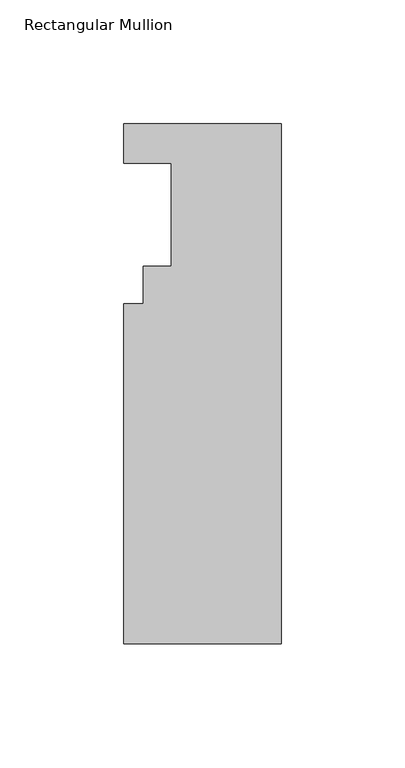
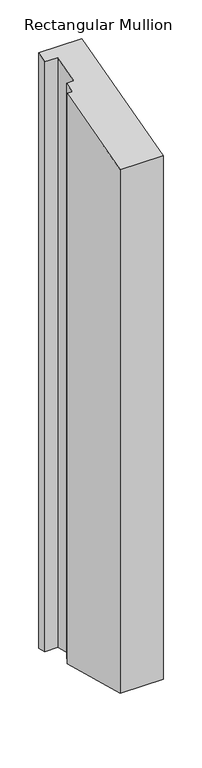
"""IFC4 building model written with IfcOpenShell, lengths in millimetres: member geometry, Rectangular Mullion."""

import ifcopenshell
import ifcopenshell.guid

model = None  # the IFC model being written
_history = None  # IfcOwnerHistory: only IFC2X3 demands one
_inside = {}  # id of a spatial element -> (the spatial element, [elements in it])
_under = {}  # id of a project, library or spatial element -> (it, [spatial elements below it])
_declared = {}  # id of a project -> (the project, [libraries it declares])
_typed = {}  # id of a type object -> (the type object, [elements of that type])
_made_of = {}  # id of a material, layer set ... -> (it, [elements and type objects made of it])


def new_model(schema):
    """Start an empty IFC model of exactly this schema.

    Asked for "IFC4X3", IfcOpenShell would pick the latest addendum, in which some entities
    have other attributes; the version numbers below select the first issue.
    IFC2X3 requires an IfcOwnerHistory on every rooted entity: one is made here for all.
    """
    global model, _history
    if schema == "IFC4X3":
        model = ifcopenshell.file(schema_version=(4, 3, 0, 0))
    else:
        model = ifcopenshell.file(schema=schema)
    _inside.clear()
    _under.clear()
    _declared.clear()
    _typed.clear()
    _made_of.clear()
    _history = None
    if model.schema == "IFC2X3":
        org = make("IfcOrganization", Name="unknown")
        user = make(
            "IfcPersonAndOrganization",
            ThePerson=make("IfcPerson", FamilyName="unknown"),
            TheOrganization=org,
        )
        app = make(
            "IfcApplication",
            ApplicationDeveloper=org,
            Version="unknown",
            ApplicationFullName="unknown",
            ApplicationIdentifier="unknown",
        )
        _history = make(
            "IfcOwnerHistory",
            OwningUser=user,
            OwningApplication=app,
            ChangeAction="ADDED",
            CreationDate=0,
        )
    return model


def make(cls, **values):
    """One entity of the class cls with the attributes given. An attribute that is None is left unset."""
    return model.create_entity(
        cls, **{name: value for name, value in values.items() if value is not None}
    )


def rooted(cls, **values):
    """An entity with a GlobalId (a new one), such as an element, a storey or a relation."""
    return make(cls, GlobalId=ifcopenshell.guid.new(), OwnerHistory=_history, **values)


def si_unit(unit_type, name, prefix=None):
    """IfcSIUnit, for example si_unit("LENGTHUNIT", "METRE", prefix="MILLI")."""
    return make("IfcSIUnit", UnitType=unit_type, Prefix=prefix, Name=name)


def assignment(units):
    """IfcUnitAssignment: the units of a project."""
    return None if units is None else make("IfcUnitAssignment", Units=units)


def point(xyz):
    """IfcCartesianPoint."""
    return None if xyz is None else make("IfcCartesianPoint", Coordinates=xyz)


def direction(xyz):
    """IfcDirection."""
    return None if xyz is None else make("IfcDirection", DirectionRatios=xyz)


def frame(location, z_axis=None, x_axis=None):
    """IfcAxis2Placement3D, a coordinate frame: its origin and axes. An axis left out is left unset."""
    return make(
        "IfcAxis2Placement3D",
        Location=point(location),
        Axis=direction(z_axis),
        RefDirection=direction(x_axis),
    )


def origin():
    """The frame at (0, 0, 0) with its axes left unset."""
    return frame((0.0, 0.0, 0.0))


def place(relative_to, where):
    """IfcLocalPlacement: puts the frame where relative to a parent placement (None: the world)."""
    return make(
        "IfcLocalPlacement", PlacementRelTo=relative_to, RelativePlacement=where
    )


def context(
    kind, dimensions, precision=None, world=None, true_north=None, identifier=None
):
    """IfcGeometricRepresentationContext, for example the 3D "Model" context."""
    return make(
        "IfcGeometricRepresentationContext",
        ContextIdentifier=identifier,
        ContextType=kind,
        CoordinateSpaceDimension=dimensions,
        Precision=precision,
        WorldCoordinateSystem=world,
        TrueNorth=true_north,
    )


def project(units=None, contexts=None):
    """IfcProject with its units and contexts."""
    return rooted(
        "IfcProject",
        Name="project",
        RepresentationContexts=contexts,
        UnitsInContext=assignment(units),
    )


def spatial(cls, under=None, at=None, **own):
    """A site, building, storey or space (cls), placed at a placement, below another one or the project."""
    s = rooted(cls, ObjectPlacement=at, **own)
    if under is not None:
        _under.setdefault(under.id(), (under, []))[1].append(s)
    return s


def faces_of(points, faces, orient=None, outer=None):
    """IfcFace entities. A face is a list of loops; a loop is a list of indices into points, from 0.

    orient and outer hold one flag for each loop. By default every Orientation is true, the
    first loop of a face is its IfcFaceOuterBound and the others are IfcFaceBound.
    """
    made = []
    for i, loops in enumerate(faces):
        bounds = []
        for j, loop in enumerate(loops):
            is_outer = j == 0 if outer is None else outer[i][j]
            bounds.append(
                make(
                    "IfcFaceOuterBound" if is_outer else "IfcFaceBound",
                    Bound=make("IfcPolyLoop", Polygon=[points[k] for k in loop]),
                    Orientation=True if orient is None else orient[i][j],
                )
            )
        made.append(make("IfcFace", Bounds=bounds))
    return made


def faceted_brep(points, faces, orient=None, outer=None, voids=None):
    """IfcFacetedBrep: a solid bounded by flat faces; with voids (closed shells), ...WithVoids."""
    shared = [point(p) for p in points]
    hull = make("IfcClosedShell", CfsFaces=faces_of(shared, faces, orient, outer))
    if voids is None:
        return make("IfcFacetedBrep", Outer=hull)
    return make(
        "IfcFacetedBrepWithVoids",
        Outer=hull,
        Voids=[
            make(cls, CfsFaces=faces_of(shared, fs, o, b)) for cls, fs, o, b in voids
        ],
    )


def shape(context_of_items, identifier, shape_type, items):
    """IfcShapeRepresentation: the items that make up one representation, for example the "Body"."""
    return make(
        "IfcShapeRepresentation",
        ContextOfItems=context_of_items,
        RepresentationIdentifier=identifier,
        RepresentationType=shape_type,
        Items=items,
    )


def source(mapping_origin, context_of_items, identifier, shape_type, items):
    """IfcRepresentationMap: a shape defined once, which mapped items show again and again."""
    return make(
        "IfcRepresentationMap",
        MappingOrigin=mapping_origin,
        MappedRepresentation=shape(context_of_items, identifier, shape_type, items),
    )


def transform(
    local_origin,
    x_axis=None,
    y_axis=None,
    z_axis=None,
    scale=None,
    scale2=None,
    scale3=None,
    uniform=True,
):
    """IfcCartesianTransformationOperator3D, or its non-uniform kind. x_axis, y_axis, z_axis: its Axis1, 2, 3."""
    if uniform:
        return make(
            "IfcCartesianTransformationOperator3D",
            Axis1=direction(x_axis),
            Axis2=direction(y_axis),
            LocalOrigin=point(local_origin),
            Scale=scale,
            Axis3=direction(z_axis),
        )
    return make(
        "IfcCartesianTransformationOperator3DnonUniform",
        Axis1=direction(x_axis),
        Axis2=direction(y_axis),
        LocalOrigin=point(local_origin),
        Scale=scale,
        Axis3=direction(z_axis),
        Scale2=scale2,
        Scale3=scale3,
    )


def mapped(mapping_source, mapping_target):
    """IfcMappedItem: shows the shape of a source again, moved by a transform."""
    return make(
        "IfcMappedItem", MappingSource=mapping_source, MappingTarget=mapping_target
    )


def made_of(thing, what):
    """Note that an element or type object is made of a material, layer set ...; save() writes the relation."""
    if what is not None:
        _made_of.setdefault(what.id(), (what, []))[1].append(thing)
    return thing


def element(
    cls,
    number,
    at=None,
    inside=None,
    cuts=None,
    type_object=None,
    material=None,
    context=None,
    identifier="Body",
    shape_type=None,
    held_by="IfcProductDefinitionShape",
    body=None,
    shapes=None,
    **own,
):
    """One element of the class cls, such as IfcWall. Its Tag is "e" and its number.

    at: its placement. inside: the storey or other place that contains it. cuts: it is an
    opening in that element (IfcRelVoidsElement). A single representation is given by context,
    identifier, shape_type and body (its items); several are given by shapes. held_by: the class
    of the entity that holds the representations. save() writes the other relations.
    """
    e = rooted(cls, Tag="e%d" % number, ObjectPlacement=at, **own)
    if body is not None:
        shapes = [shape(context, identifier, shape_type, body)]
    if shapes is not None:
        e.Representation = make(held_by, Representations=shapes)
    if inside is not None:
        _inside.setdefault(inside.id(), (inside, []))[1].append(e)
    if cuts is not None:
        rooted(
            "IfcRelVoidsElement", RelatingBuildingElement=cuts, RelatedOpeningElement=e
        )
    if type_object is not None:
        _typed.setdefault(type_object.id(), (type_object, []))[1].append(e)
    return made_of(e, material)


def aggregate(whole, parts):
    """IfcRelAggregates: a whole, such as a stair, and the parts it consists of."""
    return rooted("IfcRelAggregates", RelatingObject=whole, RelatedObjects=parts)


def save(model, path):
    """Write the relations noted so far, then the file.

    IfcRelAggregates (storeys below a building ...), IfcRelContainedInSpatialStructure (elements
    in a storey), IfcRelDefinesByType, IfcRelAssociatesMaterial and IfcRelDeclares: one each for
    every whole, place, type object, material and project.
    """
    for whole, parts in _under.values():
        aggregate(whole, parts)
    for where, things in _inside.values():
        rooted(
            "IfcRelContainedInSpatialStructure",
            RelatedElements=things,
            RelatingStructure=where,
        )
    for kind, things in _typed.values():
        rooted("IfcRelDefinesByType", RelatedObjects=things, RelatingType=kind)
    for what, things in _made_of.values():
        rooted("IfcRelAssociatesMaterial", RelatedObjects=things, RelatingMaterial=what)
    for by, libraries in _declared.values():
        rooted("IfcRelDeclares", RelatingContext=by, RelatedDefinitions=libraries)
    model.write(path)


def rectangular_mullion_f8875c5a(model_context):
    return source(origin(), model_context, "Body", "Brep", [
        faceted_brep([(0.0, 20.7208438, 5.5521333), (0.0, -189.2101563, -50.6987086), (0.0, -189.2101563, -873.7409251), (0.0, 20.7208438, -929.991767), (-63.5, 20.7208438, 5.5521333), (-63.5, 20.7208438, -929.991767), (-63.5, 4.8458438, 1.2984399), (-63.5, 4.8458438, -925.7380736), (-44.45, 4.8458438, 1.2984399), (-44.45, 4.8458438, -925.7380736), (-44.45, -36.8101563, -9.8632516), (-44.45, -36.8101563, -914.576382), (-55.5752, -36.8101563, -9.8632516), (-55.5752, -36.8101563, -914.576382), (-55.5752, -51.8723562, -13.899156), (-55.5752, -51.8723562, -910.5404777), (-63.5, -51.8723562, -13.899156), (-63.5, -51.8723562, -910.5404777), (-63.5, -189.2101563, -50.6987086), (-63.5, -189.2101563, -873.7409251)], [[[0, 1, 2, 3]], [[4, 0, 3, 5]], [[6, 4, 5, 7]], [[8, 6, 7, 9]], [[10, 8, 9, 11]], [[12, 10, 11, 13]], [[14, 12, 13, 15]], [[16, 14, 15, 17]], [[18, 16, 17, 19]], [[1, 18, 19, 2]], [[4, 6, 8, 10, 12, 14, 16, 18, 1, 0]], [[5, 3, 2, 19, 17, 15, 13, 11, 9, 7]]]),
    ])


if __name__ == "__main__":
    model = new_model("IFC4")
    model_context = context("Model", 3, world=origin())
    ifc_project = project(units=[si_unit("LENGTHUNIT", "METRE", prefix="MILLI")], contexts=[model_context])
    site = spatial("IfcSite", under=ifc_project)
    building = spatial("IfcBuilding", under=site)
    placement = place(None, origin())
    rectangular_mullion_shape = rectangular_mullion_f8875c5a(model_context)
    element("IfcMember", 1, ObjectType="Rectangular Mullion", at=placement, inside=building, context=model_context, shape_type="MappedRepresentation", body=[
        mapped(rectangular_mullion_shape, transform((0.0, 0.0, 0.0), x_axis=(1.0, 0.0, 0.0), y_axis=(0.0, 1.0, 0.0), z_axis=(0.0, 0.0, 1.0))),
    ])
    save(model, "model.ifc")
